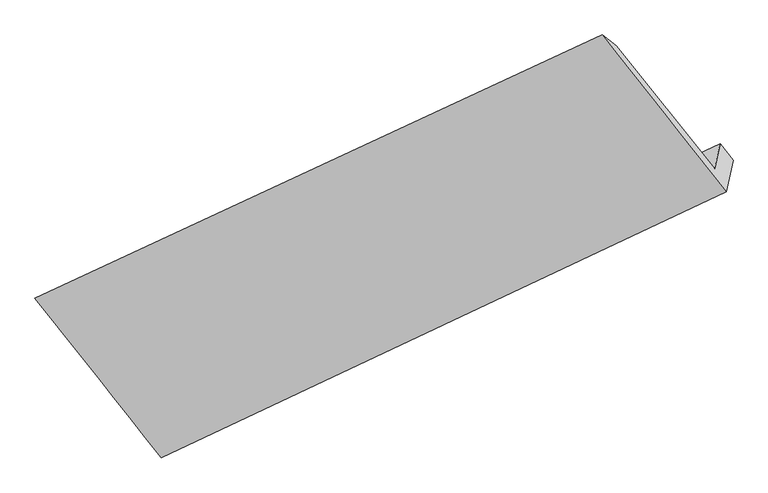
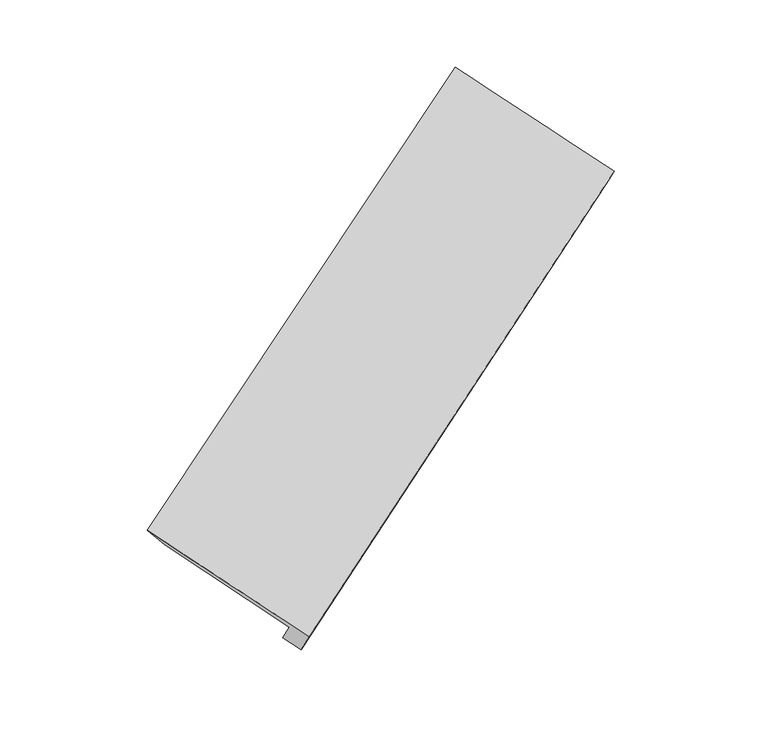
"""IFC4 building model written with IfcOpenShell, lengths in millimetres: proxy geometry."""

from ifc_helpers import new_model, si_unit, frame, origin, place, context, project, spatial, source, transform, mapped, element, save
from ifc_brep_helpers import plane_surface, spline_surface, advanced_brep


def generic_models_33c8335b(model_context):
    return source(origin(), model_context, "Body", "AdvancedBrep", [
        advanced_brep(
        [(-5291.7546195, -2993.7885785, -23.3204552), (-5344.5596011, -3230.9499645, 284.0951917), (190.4731466, -646.1430517, 3254.7522482), (244.7797331, -402.2375536, 2938.5946826), (-6300.1139864, -2034.7975371, 1042.7525284), (-771.7516178, 558.3592824, 4018.7054969), (-6453.5281571, -1909.4511523, 1222.9438535), (-908.4349002, 662.4942769, 4185.8479111), (-5219.3329441, -3470.1075006, 256.8095674), (302.4403153, -872.3605506, 3241.196366), (-5152.1801729, -3168.5063294, -134.1348468), (371.731642, -561.1545513, 2837.8018878)],
        [
            (0, 1),
            (1, 2),
            (2, 3),
            (3, 0),
            (1, 4),
            (4, 5),
            (5, 2),
            (4, 6),
            (6, 7),
            (7, 5),
            (6, 8),
            (8, 9),
            (9, 7),
            (8, 10),
            (10, 11),
            (11, 9),
            (10, 0),
            (3, 11),
        ],
        [
            plane_surface(frame((-5318.1571103, -3112.3692715, 130.3873682), z_axis=(-0.5632267928586032, 0.6982109205027034, 0.44190167491986265), x_axis=(-0.1347617293611351, -0.6052512008550163, 0.7845446196126495))),
            plane_surface(frame((-5822.3367938, -2632.8737508, 663.42386), z_axis=(0.13719899077315778, 0.6063778387178822, -0.7832511434033512), x_axis=(-0.5592508997883696, 0.700064100556619, 0.44401428602889687))),
            spline_surface(1, 1, [[(-6300.1139864, -2034.7975371, 1042.7525284), (-771.7516178, 558.3592824, 4018.7054969)], [(-6453.5281571, -1909.4511523, 1222.9438535), (-908.4349002, 662.4942769, 4185.8479111)]], [2, 2], [2, 2], [0.0, 1.0], [0.0, 1.0]),
            spline_surface(1, 1, [[(-6453.5281571, -1909.4511523, 1222.9438535), (-908.4349002, 662.4942769, 4185.8479111)], [(-5219.3329441, -3470.1075006, 256.8095674), (302.4403153, -872.3605506, 3241.196366)]], [2, 2], [2, 2], [0.0, 1.0], [0.0, 1.0]),
            plane_surface(frame((-5185.7565585, -3319.306915, 61.3373603), z_axis=(0.5659323860989884, -0.6969367584432249, -0.44045395797399234), x_axis=(0.13476172936113515, 0.605251200855017, -0.7845446196126489))),
            plane_surface(frame((-5221.9673962, -3081.1474539, -78.727651), z_axis=(0.13585769183373436, 0.6057584124408819, -0.7839639234854577), x_axis=(-0.559250899788376, 0.7000641005565963, 0.4440142860289245))),
            plane_surface(frame((-95.1269468, -210.1736913, 3412.8164321), z_axis=(0.8179717032914356, 0.3789211513961956, 0.43282912753081804), x_axis=(0.13476172936113515, 0.605251200855017, -0.7845446196126489))),
            plane_surface(frame((-5626.9115802, -2801.2668437, 441.5243065), z_axis=(-0.8179717032914369, -0.37892115139619453, -0.4328291275308165), x_axis=(0.5592508997883685, -0.7000641005566235, -0.44401428602889115))),
        ],
        [
            (0, [[1, 2, 3, 4]]),
            (1, [[5, 6, 7, -2]]),
            (2, [[8, 9, 10, -6]]),
            (3, [[11, 12, 13, -9]]),
            (4, [[14, 15, 16, -12]]),
            (5, [[17, -4, 18, -15]]),
            (6, [[-16, -18, -3, -7, -10, -13]]),
            (7, [[-17, -14, -11, -8, -5, -1]]),
        ],
    ),
    ])


if __name__ == "__main__":
    model = new_model("IFC4")
    model_context = context("Model", 3, world=origin())
    ifc_project = project(units=[si_unit("LENGTHUNIT", "METRE", prefix="MILLI")], contexts=[model_context])
    site = spatial("IfcSite", under=ifc_project)
    building = spatial("IfcBuilding", under=site)
    placement = place(None, origin())
    generic_models_shape = generic_models_33c8335b(model_context)
    element("IfcBuildingElementProxy", 1, Name="Generic Models", at=placement, inside=building, context=model_context, shape_type="MappedRepresentation", body=[
        mapped(generic_models_shape, transform((0.0, 0.0, 0.0), x_axis=(1.0, 0.0, 0.0), y_axis=(0.0, 1.0, 0.0), z_axis=(0.0, 0.0, 1.0))),
    ])
    save(model, "model.ifc")
